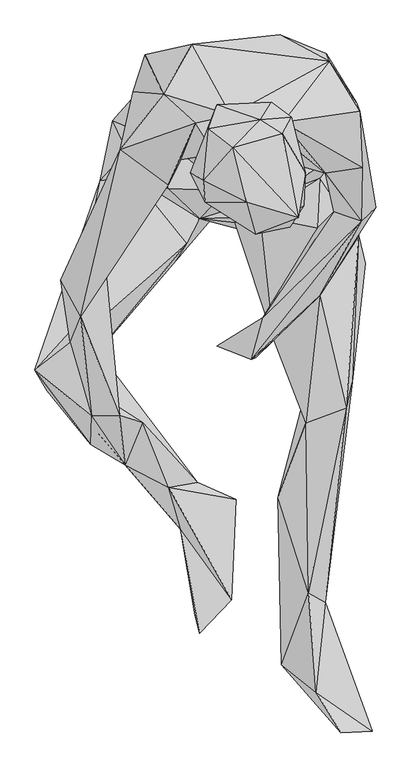
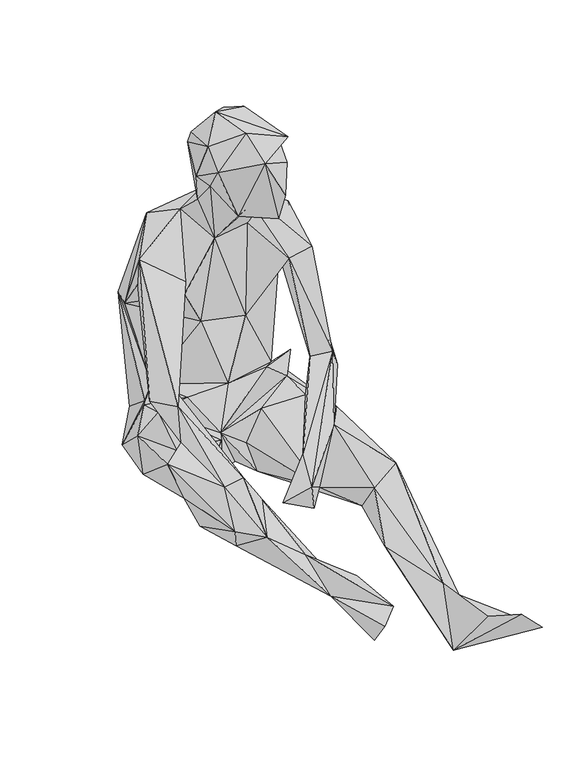
"""IFC4 building model written with IfcOpenShell, lengths in millimetres: geographic element geometry."""

from ifc_helpers import new_model, si_unit, origin, place, context, project, spatial, faceted_brep, source, transform, mapped, element, save


def geographic_element_94379e01(model_context):
    return source(origin(), model_context, "Body", "Brep", [
        faceted_brep([(-154.6437125, 409.3822786, 114.1797514), (-151.2773763, 461.482698, 370.2856555), (55.265575, 485.894823, 228.0481877), (-161.8588398, 334.8176438, 175.8356371), (-170.8817461, 401.0980974, 384.149338), (-142.3265469, 340.9436601, 208.4057901), (-121.255739, 396.8678962, 598.4549448), (69.4285623, 493.7475859, 431.2358445), (-74.1772493, 478.4514845, 526.2276465), (-204.8963432, 352.9875831, 68.1773267), (-180.6984372, 302.9741905, 190.6772977), (-45.1075429, 391.5626656, 4.7136549), (-195.8724236, 282.7432121, 33.5631441), (-16.8736612, 431.2358445, 44.9213604), (-224.8310121, 254.5443742, 157.7047388), (-113.9965714, 241.5455103, 224.292499), (-172.0629164, 261.4051369, 193.9064836), (-274.1247084, 8.4453401, 287.3227263), (-332.2921354, -55.4307394, 311.4635608), (-83.5545127, 151.7148148, 159.626631), (-235.882935, 18.2540265, 283.7081516), (-61.8350647, 192.3389262, 145.3275067), (-17.9297046, 238.7767852, 227.1042587), (-48.3537459, 297.4337303, 358.7532893), (55.0023162, 292.7931511, 340.9146624), (135.5068071, 325.6015141, 174.824638), (71.6777808, 234.4835521, 240.7407433), (-13.6154441, 302.4606667, 553.514593), (-92.8466905, 289.0524232, 447.926337), (-192.2338283, 305.5707477, 559.1141512), (-177.7285166, 335.2190215, 475.2733351), (-113.7593374, 247.7666556, 511.5481552), (-69.0301723, 348.8044398, 619.698934), (-254.2851238, 114.7973598, 331.1520178), (-289.9723315, 91.5714267, 365.9984424), (-256.8326263, 31.9675687, 376.548822), (-215.7540593, 103.1338411, 351.3709859), (-46.4508714, 314.1742608, 656.7885795), (-10.9277906, 362.1336177, 643.3722893), (-33.562142, 379.0352894, 757.26079), (-43.1315894, 268.445101, 715.3744013), (-76.7317703, 268.1718137, 753.1236913), (105.1348211, 265.9436133, 662.6203574), (-5.2832173, 218.2905647, 656.7324915), (76.2352859, 321.6826876, 549.6587685), (-52.8081463, 219.8090526, 782.8850649), (-56.0013012, 254.549381, 828.2859819), (29.2048395, 166.9728735, 808.8006873), (14.5293472, 219.6488949, 858.8541044), (76.579622, 192.9925954, 637.7608101), (85.6766094, 178.9196857, 702.1803769), (109.127766, 214.1254369, 756.4710285), (111.861466, 267.5782409, 806.8907757), (99.9457004, 194.4450265, 835.1547019), (-7.3412493, 309.1953359, 866.6198147), (74.1101792, 331.621464, 838.609089), (78.5145303, 320.3973731, 698.5988531), (88.7426276, 359.0345338, 741.3570789), (74.6437078, 350.9755985, 625.1463217), (37.9694956, 354.7193066, 834.6562282), (56.0183183, 383.5878027, 742.2880439), (-47.549955, 339.8035425, 811.784615), (151.0671806, 450.3907506, 513.6061843), (200.8022939, 369.0584554, 532.8171187), (194.9785328, 383.7199164, 442.1015625), (146.0352075, 463.3375349, 365.6921342), (123.9714235, 409.3742618, 82.738704), (176.9217082, 365.744169, 407.3012123), (227.1252842, 210.5479214, 206.7451601), (144.6138006, 267.0397129, 468.8880088), (157.9049359, 204.148588, 254.529324), (202.835304, 188.9215684, 261.1528901), (135.4057027, 66.177345, 172.9497888), (131.5018667, 177.3831673, 183.0918021), (41.4349171, 30.2658878, 154.4905584), (204.7491942, 276.3628926, 472.6117195), (22.9947061, -38.4279485, 119.9694708), (59.950202, -6.4003201, 86.164086), (-33.9144911, -16.0688681, 85.2872197), (30.1808041, -34.9745374, 60.7610002), (38.0575838, 196.0345929, 170.1530346), (112.4960841, -142.3195434, 149.091227), (-3.8508027, 186.4491082, 103.733434), (13.7405683, 171.9397881, 34.9905524), (112.5111044, -90.0669385, 71.3474518), (134.8191334, 258.7655155, 181.1398692), (110.7343496, 125.5649909, 9.5834638), (3.4614182, 246.0699945, 17.8526284), (-100.7224607, 123.7562134, 104.443139), (-108.0416875, 224.1333248, 7.3832911), (-263.1098298, -23.2459546, 185.323996), (-228.3074679, -25.2008863, 211.4638213), (-214.4167397, -103.6653729, 244.9869334), (-65.3134949, -240.1291251, 69.2163548), (-261.8906168, -67.978128, 137.4537332), (-312.1052048, -90.037911, 239.8478508), (-241.1301106, -177.5242962, 182.5412489), (-228.5496862, -159.6886943, 132.2876348), (-239.2872989, -130.8712347, 266.1618557), (-184.1118015, -211.1995641, 169.2271063), (-274.1247084, -10.4453143, 317.8478738), (-193.2148015, -130.3677394, 274.2598321), (-155.4394941, -141.3435769, 212.5338886), (-113.1847636, -247.7576702, 121.9123885), (-92.9798174, -317.2853252, 52.9773154), (-2.0490233, -267.7964535, 42.5610314), (-9.4733544, -432.625199, 68.5456908), (-69.7688973, -457.7049854, 18.7304968), (-62.2174397, -487.3682796, 69.7728983), (102.571285, 404.179121, 36.6301718), (149.177311, 269.180831, 16.5233163), (188.7323833, -75.3554096, 102.4631845), (209.3967919, 119.3448514, 94.1509742), (167.7506396, 360.7532337, 84.9679102), (159.2873017, 330.7636339, 154.4805448), (199.044553, 164.3052528, 137.8721429), (169.2831644, 304.0882907, 207.5309281), (178.3551254, -117.654188, 174.2931136), (66.7108811, -264.5782796, 91.1049608), (116.441986, -421.3340826, 75.9429922), (143.915115, -436.4419824, 46.5179378), (129.0013923, -583.8115143, 85.7636918), (72.0501459, -538.8871365, -7.2321421), (113.7583391, -215.5518505, 13.4362679), (121.6170996, -536.6699629, 5.4603917), (221.6528776, -648.2131401, 65.3685472), (169.8407212, -650.0399032, 116.9775188)], [[[0, 1, 2]], [[1, 0, 3]], [[4, 1, 5]], [[6, 1, 4]], [[2, 1, 7]], [[8, 1, 6]], [[8, 7, 1]], [[3, 5, 1]], [[3, 0, 9]], [[9, 10, 3]], [[10, 5, 3]], [[9, 11, 12]], [[13, 9, 0]], [[11, 9, 13]], [[9, 14, 10]], [[14, 9, 12]], [[5, 10, 15]], [[16, 15, 10]], [[16, 10, 14]], [[16, 14, 17]], [[14, 12, 18]], [[18, 17, 14]], [[19, 16, 20]], [[17, 20, 16]], [[15, 16, 21]], [[21, 16, 19]], [[15, 21, 22]], [[22, 5, 15]], [[22, 23, 5]], [[24, 22, 25]], [[22, 24, 23]], [[22, 26, 25]], [[22, 21, 26]], [[5, 23, 4]], [[24, 27, 23]], [[23, 27, 28]], [[4, 23, 28]], [[29, 6, 4]], [[29, 4, 30]], [[28, 30, 4]], [[28, 31, 30]], [[32, 28, 27]], [[28, 32, 31]], [[31, 33, 30]], [[30, 33, 34]], [[29, 30, 34]], [[31, 29, 35]], [[36, 31, 35]], [[31, 32, 29]], [[33, 31, 36]], [[32, 6, 29]], [[35, 29, 34]], [[32, 27, 37]], [[32, 37, 38]], [[38, 6, 32]], [[37, 39, 38]], [[40, 37, 27]], [[41, 39, 37]], [[41, 37, 40]], [[27, 42, 43]], [[40, 27, 43]], [[44, 27, 24]], [[27, 44, 42]], [[45, 40, 43]], [[45, 41, 40]], [[46, 39, 41]], [[46, 41, 45]], [[47, 45, 43]], [[46, 45, 48]], [[47, 48, 45]], [[42, 49, 43]], [[47, 43, 49]], [[50, 49, 42]], [[47, 49, 50]], [[47, 51, 52]], [[47, 52, 53]], [[53, 48, 47]], [[47, 50, 51]], [[54, 48, 53]], [[46, 48, 54]], [[54, 53, 55]], [[55, 53, 52]], [[51, 56, 52]], [[56, 57, 52]], [[57, 55, 52]], [[56, 51, 42]], [[42, 51, 50]], [[56, 42, 58]], [[56, 58, 57]], [[55, 57, 59]], [[60, 59, 57]], [[57, 58, 60]], [[54, 55, 59]], [[54, 59, 61]], [[46, 54, 61]], [[59, 60, 39]], [[39, 61, 59]], [[38, 60, 58]], [[38, 39, 60]], [[46, 61, 39]], [[38, 58, 62]], [[38, 62, 8]], [[6, 38, 8]], [[8, 62, 7]], [[63, 62, 58]], [[62, 63, 64]], [[62, 65, 7]], [[65, 62, 64]], [[2, 7, 65]], [[66, 65, 25]], [[67, 25, 65]], [[2, 65, 66]], [[64, 67, 65]], [[68, 64, 63]], [[64, 68, 67]], [[24, 67, 69]], [[24, 25, 67]], [[67, 70, 69]], [[70, 67, 68]], [[68, 63, 71]], [[68, 71, 72]], [[70, 68, 73]], [[73, 68, 72]], [[73, 74, 70]], [[70, 71, 69]], [[71, 70, 74]], [[71, 63, 75]], [[72, 71, 76]], [[76, 71, 74]], [[69, 71, 75]], [[74, 73, 77]], [[77, 78, 74]], [[74, 78, 76]], [[77, 72, 76]], [[79, 76, 78]], [[79, 77, 76]], [[77, 79, 78]], [[73, 80, 77]], [[81, 72, 77]], [[82, 83, 77]], [[77, 84, 81]], [[77, 83, 84]], [[82, 77, 80]], [[73, 85, 80]], [[21, 80, 85]], [[21, 82, 80]], [[21, 83, 82]], [[84, 83, 86]], [[21, 87, 83]], [[86, 83, 87]], [[26, 21, 85]], [[87, 21, 88]], [[21, 19, 88]], [[87, 89, 11]], [[11, 86, 87]], [[87, 88, 89]], [[88, 90, 89]], [[91, 88, 19]], [[88, 91, 90]], [[91, 19, 20]], [[91, 92, 93]], [[92, 91, 20]], [[93, 94, 91]], [[90, 91, 94]], [[12, 90, 95]], [[94, 95, 90]], [[90, 12, 89]], [[89, 12, 11]], [[18, 12, 95]], [[94, 96, 95]], [[18, 95, 96]], [[94, 93, 97]], [[96, 94, 97]], [[98, 96, 99]], [[96, 97, 99]], [[98, 18, 96]], [[18, 98, 100]], [[17, 18, 100]], [[98, 35, 100]], [[98, 99, 101]], [[35, 98, 101]], [[34, 33, 100]], [[35, 34, 100]], [[20, 100, 33]], [[100, 20, 17]], [[36, 35, 101]], [[92, 36, 101]], [[101, 99, 102]], [[102, 92, 101]], [[36, 92, 20]], [[36, 20, 33]], [[92, 102, 93]], [[103, 93, 102]], [[102, 99, 103]], [[93, 104, 97]], [[105, 104, 93]], [[93, 103, 105]], [[106, 105, 103]], [[106, 103, 104]], [[103, 99, 104]], [[97, 104, 99]], [[104, 105, 107]], [[108, 106, 104]], [[108, 104, 107]], [[106, 107, 105]], [[107, 106, 108]], [[109, 86, 11]], [[11, 13, 109]], [[109, 110, 86]], [[86, 111, 84]], [[111, 86, 112]], [[86, 110, 112]], [[13, 66, 109]], [[113, 109, 66]], [[109, 113, 110]], [[13, 0, 66]], [[25, 114, 66]], [[0, 2, 66]], [[66, 114, 113]], [[115, 113, 114]], [[115, 110, 113]], [[115, 114, 85]], [[25, 85, 114]], [[25, 26, 116]], [[116, 85, 25]], [[85, 73, 115]], [[85, 116, 26]], [[73, 72, 115]], [[117, 72, 81]], [[117, 115, 72]], [[81, 84, 118]], [[119, 117, 81]], [[81, 118, 119]], [[120, 117, 119]], [[120, 111, 117]], [[117, 111, 115]], [[120, 119, 121]], [[119, 122, 121]], [[118, 122, 119]], [[118, 123, 122]], [[118, 84, 123]], [[84, 111, 123]], [[123, 111, 124]], [[111, 112, 115]], [[111, 120, 124]], [[121, 125, 120]], [[120, 125, 124]], [[121, 122, 126]], [[125, 121, 126]], [[126, 122, 125]], [[124, 125, 122]], [[122, 123, 124]], [[112, 110, 115]], [[69, 58, 44]], [[44, 24, 69]], [[58, 69, 75]], [[63, 58, 75]], [[42, 44, 58]]]),
    ])


if __name__ == "__main__":
    model = new_model("IFC4")
    model_context = context("Model", 3, world=origin())
    ifc_project = project(units=[si_unit("LENGTHUNIT", "METRE", prefix="MILLI")], contexts=[model_context])
    site = spatial("IfcSite", under=ifc_project)
    building = spatial("IfcBuilding", under=site)
    placement = place(None, origin())
    geographic_element_shape = geographic_element_94379e01(model_context)
    element("IfcGeographicElement", 1, at=placement, inside=building, context=model_context, shape_type="MappedRepresentation", body=[
        mapped(geographic_element_shape, transform((0.0, 0.0, 0.0), x_axis=(1.0, 0.0, 0.0), y_axis=(0.0, 1.0, 0.0), z_axis=(0.0, 0.0, 1.0))),
    ])
    save(model, "model.ifc")
